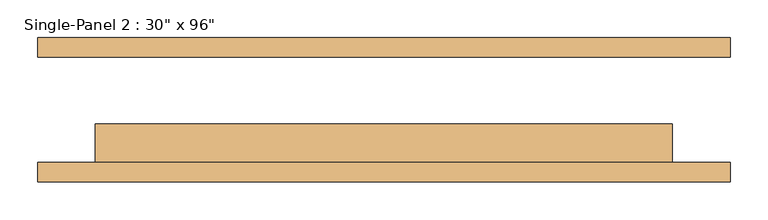
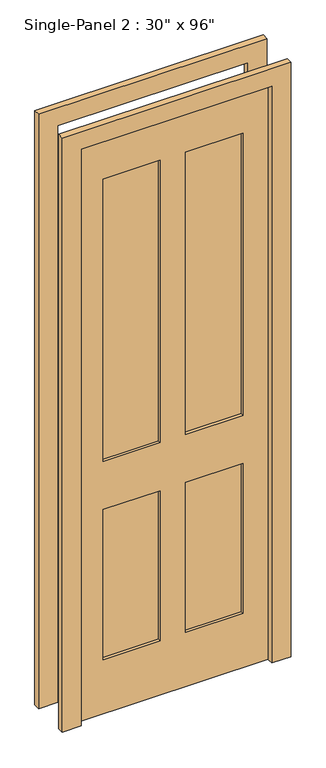
"""IFC4 building model written with IfcOpenShell, lengths in millimetres: door geometry."""

from ifc_helpers import new_model, si_unit, frame, origin, place, context, project, spatial, polyline, outline, extrude, source, transform, mapped, element, save


def door_578f1aae(model_context):
    return source(origin(), model_context, "Body", "SweptSolid", [
        extrude(outline(polyline([(-50.9240165, -31.75), (-50.9240165, -57.15), (-278.8511799, -57.15), (-278.8511799, -31.75), (-50.9240165, -31.75)])), frame((0.0, 0.0, 1068.1906173), z_axis=(0.0, 0.0, 1.0), x_axis=(1.0, 0.0, 0.0)), (0.0, 0.0, 1.0), 1194.0046757),
        extrude(outline(polyline([(279.9488201, -31.75), (279.9488201, -57.15), (50.6759835, -57.15), (50.6759835, -31.75), (279.9488201, -31.75)])), frame((0.0, 0.0, 1068.1906173), z_axis=(0.0, 0.0, 1.0), x_axis=(1.0, 0.0, 0.0)), (0.0, 0.0, 1.0), 1194.0046757),
        extrude(outline(polyline([(-50.9240165, -31.75), (-50.9240165, -57.15), (-278.8511799, -57.15), (-278.8511799, -31.75), (-50.9240165, -31.75)])), frame((0.0, 0.0, 230.195293), z_axis=(0.0, 0.0, 1.0), x_axis=(1.0, 0.0, 0.0)), (0.0, 0.0, 1.0), 635.0),
        extrude(outline(polyline([(279.9488201, -31.75), (279.9488201, -57.15), (50.6759835, -57.15), (50.6759835, -31.75), (279.9488201, -31.75)])), frame((0.0, 0.0, 230.195293), z_axis=(0.0, 0.0, 1.0), x_axis=(1.0, 0.0, 0.0)), (0.0, 0.0, 1.0), 634.7953243),
        extrude(outline(polyline([(2514.6, -457.2), (1.3906173, -457.2), (1.3906173, -381.1240165), (2439.7906173, -381.1240165), (2439.7906173, 380.8759835), (1.3906173, 380.8759835), (0.0, 457.2), (2514.6, 457.2), (2514.6, -457.2)])), frame((0.0, -95.25, 0.0), z_axis=(0.0, 1.0, 0.0), x_axis=(0.0, 0.0, 1.0)), (0.0, 0.0, 1.0), 25.4),
        extrude(outline(polyline([(2514.6, 457.2), (2514.6, -457.2), (1.3906173, -457.2), (1.3906173, -381.1240165), (2439.7906173, -381.1240165), (2439.7906173, 380.8759835), (1.3906173, 380.8759835), (0.0, 457.2), (2514.6, 457.2)])), frame((0.0, 69.85, 0.0), z_axis=(0.0, 1.0, 0.0), x_axis=(0.0, 0.0, 1.0)), (0.0, 0.0, 1.0), 25.4),
        extrude(outline(polyline([(2439.7906173, 380.8759835), (2439.7906173, -381.1240165), (1.3906173, -381.1240165), (1.3906173, 380.8759835), (2439.7906173, 380.8759835)]), holes=[polyline([(2262.195293, -50.9240165), (1068.1906173, -50.9240165), (1068.1906173, -278.8511799), (2262.195293, -278.8511799), (2262.195293, -50.9240165)]), polyline([(2262.195293, 279.9488201), (1068.1906173, 279.9488201), (1068.1906173, 50.6759835), (2262.195293, 50.6759835), (2262.195293, 279.9488201)]), polyline([(865.195293, -50.9240165), (230.195293, -50.9240165), (230.195293, -278.8511799), (865.195293, -278.8511799), (865.195293, -50.9240165)]), polyline([(864.9906173, 279.9488201), (230.195293, 279.9488201), (230.195293, 50.6759835), (864.9906173, 50.6759835), (864.9906173, 279.9488201)])]), frame((0.0, -69.85, 0.0), z_axis=(0.0, 1.0, 0.0), x_axis=(0.0, 0.0, 1.0)), (0.0, 0.0, 1.0), 50.8),
    ])


if __name__ == "__main__":
    model = new_model("IFC4")
    model_context = context("Model", 3, world=origin())
    ifc_project = project(units=[si_unit("LENGTHUNIT", "METRE", prefix="MILLI")], contexts=[model_context])
    site = spatial("IfcSite", under=ifc_project)
    building = spatial("IfcBuilding", under=site)
    placement = place(None, origin())
    door_shape = door_578f1aae(model_context)
    element("IfcDoor", 1, ObjectType="Single-Panel 2 : 30\" x 96\"", at=placement, inside=building, context=model_context, shape_type="MappedRepresentation", body=[
        mapped(door_shape, transform((0.0, 0.0, 0.0), x_axis=(1.0, 0.0, 0.0), y_axis=(0.0, 1.0, 0.0), z_axis=(0.0, 0.0, 1.0))),
    ])
    save(model, "model.ifc")
